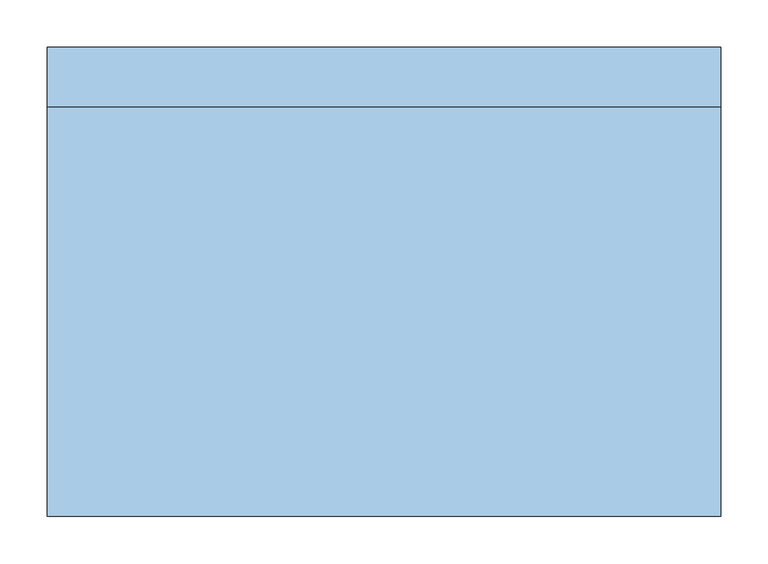
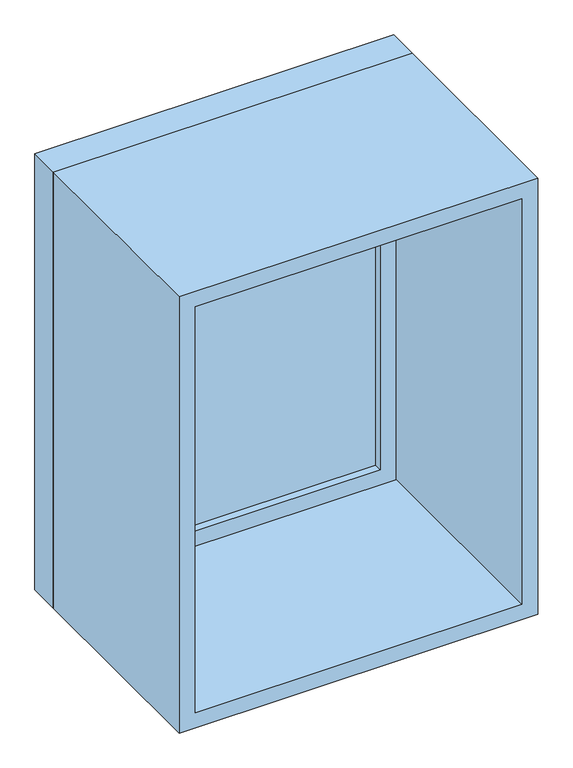
"""IFC4 building model written with IfcOpenShell, lengths in millimetres: window geometry."""

from ifc_helpers import new_model, si_unit, frame, origin, place, context, project, spatial, polyline, outline, extrude, source, transform, mapped, element, save


def window_e53f5ce5(model_context):
    return source(origin(), model_context, "Body", "SweptSolid", [
        extrude(outline(polyline([(254.0, 200.025), (-330.2, 200.025), (-330.2, 212.725), (254.0, 212.725), (254.0, 200.025)])), frame((0.0, 0.0, 977.9), z_axis=(0.0, 0.0, 1.0), x_axis=(1.0, 0.0, 0.0)), (0.0, 0.0, 1.0), 787.4),
        extrude(outline(polyline([(1809.75, -374.65), (933.45, -374.65), (933.45, 298.45), (1809.75, 298.45), (1809.75, -374.65)]), holes=[polyline([(1765.3, -330.2), (1765.3, 254.0), (977.9, 254.0), (977.9, -330.2), (1765.3, -330.2)])]), frame((0.0, 184.15, 0.0), z_axis=(0.0, 1.0, 0.0), x_axis=(0.0, 0.0, 1.0)), (0.0, 0.0, 1.0), 44.45),
        extrude(outline(polyline([(1828.8, -393.7), (914.4, -393.7), (914.4, 317.5), (1828.8, 317.5), (1828.8, -393.7)]), holes=[polyline([(1797.05, -361.95), (1797.05, 285.75), (946.15, 285.75), (946.15, -361.95), (1797.05, -361.95)])]), frame((0.0, -247.65, 0.0), z_axis=(0.0, 1.0, 0.0), x_axis=(0.0, 0.0, 1.0)), (0.0, 0.0, 1.0), 431.8),
        extrude(outline(polyline([(1828.8, 317.5), (1828.8, -393.7), (914.4, -393.7), (914.4, 317.5), (1828.8, 317.5)]), holes=[polyline([(1809.75, 298.45), (933.45, 298.45), (933.45, -374.65), (1809.75, -374.65), (1809.75, 298.45)])]), frame((0.0, 184.15, 0.0), z_axis=(0.0, 1.0, 0.0), x_axis=(0.0, 0.0, 1.0)), (0.0, 0.0, 1.0), 63.5),
    ])


if __name__ == "__main__":
    model = new_model("IFC4")
    model_context = context("Model", 3, world=origin())
    ifc_project = project(units=[si_unit("LENGTHUNIT", "METRE", prefix="MILLI")], contexts=[model_context])
    site = spatial("IfcSite", under=ifc_project)
    building = spatial("IfcBuilding", under=site)
    placement = place(None, origin())
    window_shape = window_e53f5ce5(model_context)
    element("IfcWindow", 1, at=placement, inside=building, context=model_context, shape_type="MappedRepresentation", body=[
        mapped(window_shape, transform((0.0, 0.0, 0.0), x_axis=(1.0, 0.0, 0.0), y_axis=(0.0, 1.0, 0.0), z_axis=(0.0, 0.0, 1.0))),
    ])
    save(model, "model.ifc")
